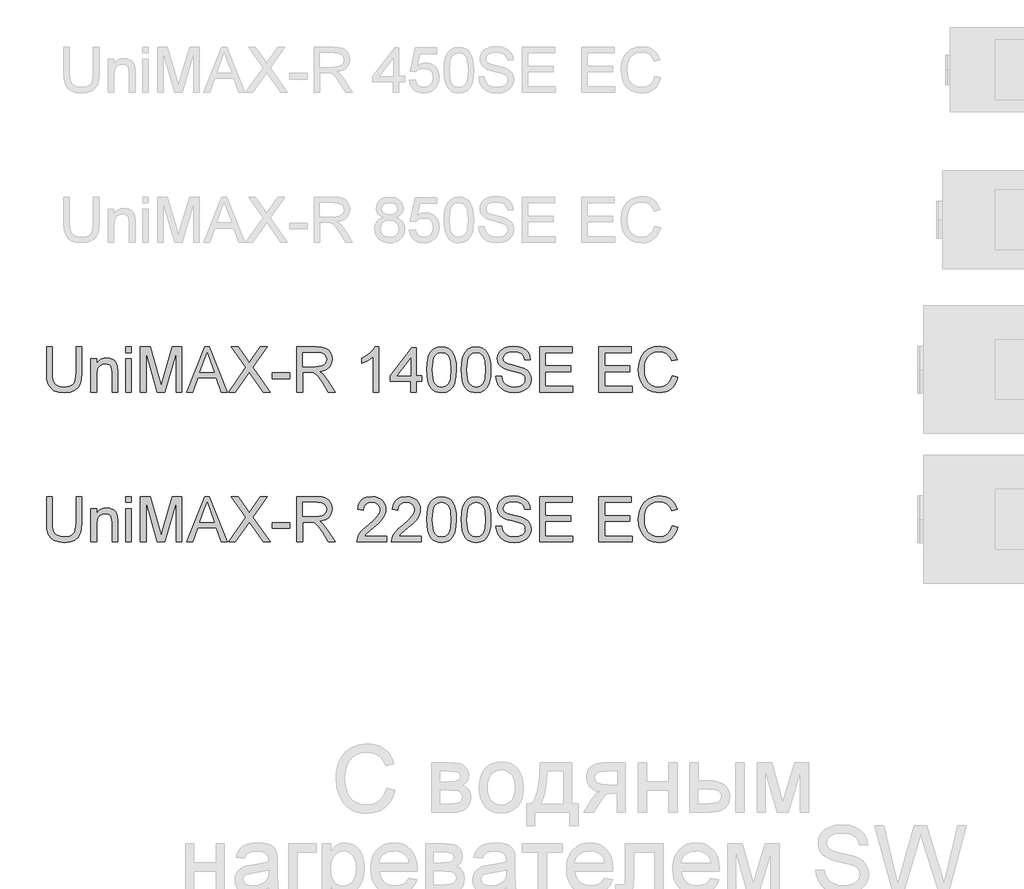
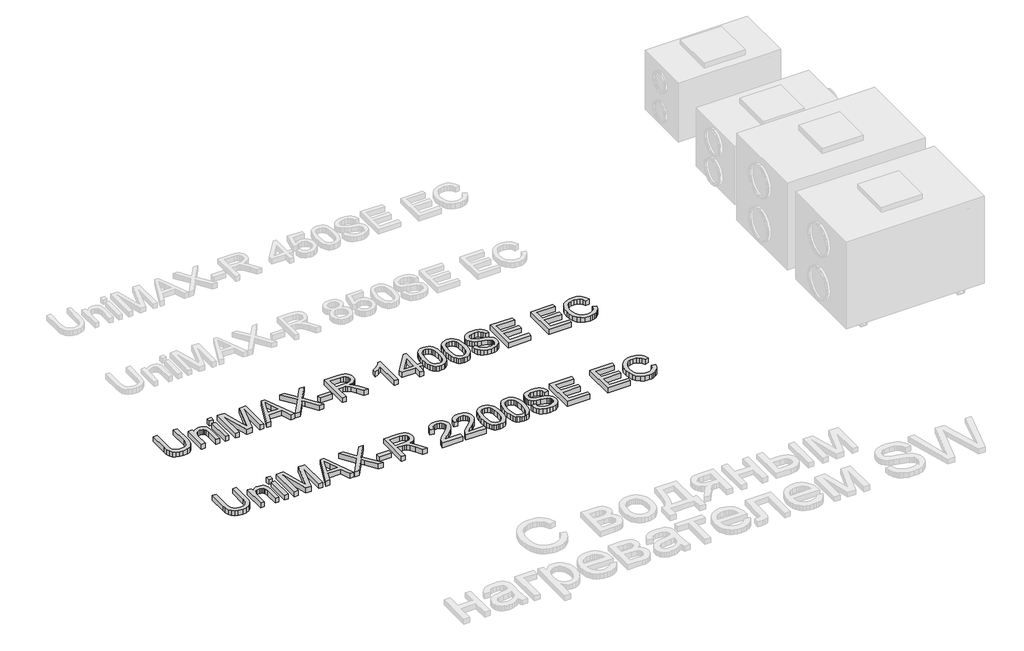
# One storey, part 50 of 74: 2 proxies.
"""IFC4 building model written with IfcOpenShell, lengths in millimetres."""

from ifc_helpers import new_model, si_unit, origin, origin_with_axes, place, context, project, spatial, polyline, outline, extrude, element, save

model = new_model("IFC4")

# Units and contexts
model_context = context("Model", 3, world=origin())
ifc_project = project(units=[si_unit("LENGTHUNIT", "METRE", prefix="MILLI")], contexts=[model_context])

# Site, building, storey
site = spatial("IfcSite", under=ifc_project)
building = spatial("IfcBuilding", under=site)
storey = spatial("IfcBuildingStorey", under=building, Elevation=0.0)

# Proxies
placement = place(None, origin())
element("IfcBuildingElementProxy", 1, Name="Generic Models", at=placement, inside=storey, context=model_context, shape_type="SweptSolid", body=[
    extrude(outline(polyline([(56245.6172917, -29731.9528304), (56283.288408, -29731.9528304), (56283.288408, -29905.8138613), (56280.7316281, -29946.5292011), (56273.0612885, -29977.8819441), (56258.7322848, -30002.0701853), (56236.1995126, -30021.2920196), (56205.4077896, -30033.8459926), (56166.3019335, -30038.0306503), (56128.0514031, -30034.3886186), (56097.4712122, -30023.4625233), (56074.5521639, -30005.6294436), (56059.2850611, -29981.2664585), (56050.7042136, -29948.5893403), (56047.8439311, -29905.8138613), (56047.8439311, -29731.9528304), (56085.5150474, -29731.9528304), (56085.5150474, -29904.4894861), (56087.3728515, -29938.3438267), (56092.9462637, -29961.9158655), (56103.0446244, -29978.2406291), (56118.4772741, -29990.3531438), (56138.6004193, -29997.8579365), (56162.7702664, -30000.359534), (56201.0851762, -29995.4115212), (56215.4279754, -29989.2265052), (56226.5610043, -29980.5674827), (56234.89813, -29968.3905887), (56240.8532198, -29951.6519579), (56245.6172917, -29904.4894861), (56245.6172917, -29731.9528304)])), origin_with_axes(), (0.0, 0.0, 1.0), 50.0),
    extrude(outline(polyline([(56344.503972, -30033.3217608), (56344.503972, -29812.0039525), (56382.1750883, -29812.0039525), (56382.1750883, -29842.9060401), (56395.2624903, -29827.3262376), (56410.9802485, -29816.1978072), (56429.328363, -29809.520749), (56450.3068338, -29807.295063), (56468.8756775, -29809.0884877), (56485.8810227, -29814.4687619), (56500.0628736, -29822.7645009), (56510.1612344, -29833.30432), (56521.4552117, -29861.0058343), (56523.4417744, -29897.4261518), (56523.4417744, -30033.3217608), (56485.7706581, -30033.3217608), (56485.7706581, -29902.5029233), (56481.4296506, -29869.1728146), (56475.423977, -29859.2491977), (56466.0889714, -29851.551267), (56454.1236095, -29846.6124512), (56440.2268671, -29844.9661793), (56418.1631445, -29848.6633933), (56399.3551775, -29859.7550355), (56391.8388884, -29868.8095311), (56386.4701106, -29881.1841617), (56382.1750883, -29915.8938279), (56382.1750883, -30033.3217608), (56344.503972, -30033.3217608)])), origin_with_axes(), (0.0, 0.0, 1.0), 50.0),
    extrude(outline(polyline([(56575.2395594, -30033.3217608), (56575.2395594, -29812.0039525), (56612.9106757, -29812.0039525), (56612.9106757, -30033.3217608), (56575.2395594, -30033.3217608)])), origin_with_axes(), (0.0, 0.0, 1.0), 50.0),
    extrude(outline(polyline([(56575.2395594, -29769.6239467), (56575.2395594, -29731.9528304), (56612.9106757, -29731.9528304), (56612.9106757, -29769.6239467), (56575.2395594, -29769.6239467)])), origin_with_axes(), (0.0, 0.0, 1.0), 50.0),
    extrude(outline(polyline([(56674.1262397, -30033.3217608), (56674.1262397, -29731.9528304), (56738.9470472, -29731.9528304), (56800.6040696, -29944.3678944), (56813.038481, -29988.734463), (56826.5029621, -29940.6890744), (56887.1299149, -29731.9528304), (56951.9507224, -29731.9528304), (56951.9507224, -30033.3217608), (56914.2796061, -30033.3217608), (56914.2796061, -29769.6239467), (56838.5694915, -30033.3217608), (56787.5074706, -30033.3217608), (56711.797356, -29769.6239467), (56711.797356, -30033.3217608), (56674.1262397, -30033.3217608)])), origin_with_axes(), (0.0, 0.0, 1.0), 50.0),
    extrude(outline(polyline([(56982.7792336, -30033.3217608), (57103.076646, -29731.9528304), (57135.155956, -29731.9528304), (57255.4533684, -30033.3217608), (57215.6485366, -30033.3217608), (57181.1412054, -29939.14397), (57057.0178202, -29939.14397), (57022.5840655, -30033.3217608), (56982.7792336, -30033.3217608)]), holes=[polyline([(57070.8501833, -29901.4728537), (57167.3824188, -29901.4728537), (57140.2327275, -29827.3814199), (57119.116301, -29769.6239467), (57100.3543193, -29820.9066968), (57070.8501833, -29901.4728537)])]), origin_with_axes(), (0.0, 0.0, 1.0), 50.0),
    extrude(outline(polyline([(57262.7374319, -30033.3217608), (57378.914566, -29869.0992382), (57281.5729901, -29731.9528304), (57326.7488991, -29731.9528304), (57381.5633164, -29809.1344729), (57400.0309925, -29839.2272201), (57421.6624539, -29808.6194381), (57475.8882599, -29731.9528304), (57521.7263565, -29731.9528304), (57424.3847806, -29869.5406965), (57540.5619147, -30033.3217608), (57495.3860057, -30033.3217608), (57417.9836339, -29924.1343846), (57401.8704025, -29901.4728537), (57384.1384904, -29926.3416766), (57308.5755285, -30033.3217608), (57262.7374319, -30033.3217608)])), origin_with_axes(), (0.0, 0.0, 1.0), 50.0),
    extrude(outline(polyline([(57554.6885833, -29943.8528596), (57554.6885833, -29906.1817433), (57672.4108218, -29906.1817433), (57672.4108218, -29943.8528596), (57554.6885833, -29943.8528596)])), origin_with_axes(), (0.0, 0.0, 1.0), 50.0),
    extrude(outline(polyline([(57719.4997172, -30033.3217608), (57719.4997172, -29731.9528304), (57849.3620615, -29731.9528304), (57884.2648657, -29733.9853784), (57909.6579205, -29740.0830224), (57928.2175671, -29751.3402115), (57942.6201472, -29768.8513945), (57951.8631824, -29790.5656292), (57954.9441941, -29814.4319737), (57949.8398314, -29844.1200507), (57934.5267433, -29868.7313562), (57922.9269642, -29878.7607391), (57908.5450774, -29886.775968), (57871.4349812, -29896.7639642), (57892.8457133, -29912.8771956), (57923.3799189, -29951.6519579), (57973.6325994, -30033.3217608), (57929.854642, -30033.3217608), (57890.6384213, -29970.855398), (57862.3115077, -29929.5054618), (57842.4090917, -29909.9709278), (57824.4932386, -29902.7972289), (57802.6410481, -29901.4728537), (57757.1708335, -29901.4728537), (57757.1708335, -30033.3217608), (57719.4997172, -30033.3217608)]), holes=[polyline([(57757.1708335, -29863.8017374), (57841.4893868, -29863.8017374), (57865.7052191, -29862.4681652), (57884.494792, -29858.4674485), (57898.6398547, -29851.5328729), (57908.9221565, -29841.3977239), (57915.1853474, -29829.1380564), (57917.2730778, -29815.8299253), (57913.2907552, -29797.4542196), (57901.3437874, -29782.6469693), (57880.7883809, -29772.8797023), (57850.9807422, -29769.6239467), (57757.1708335, -29769.6239467), (57757.1708335, -29863.8017374)])]), origin_with_axes(), (0.0, 0.0, 1.0), 50.0),
    extrude(outline(polyline([(58265.7309036, -30033.3217608), (58228.0597873, -30033.3217608), (58228.0597873, -29798.4658951), (58192.3752338, -29823.8865409), (58152.7175547, -29842.9060401), (58152.7175547, -29807.295063), (58182.3044641, -29791.2002257), (58207.9366422, -29772.0519678), (58228.1425607, -29751.6896994), (58241.4506919, -29731.9528304), (58265.7309036, -29731.9528304), (58265.7309036, -30033.3217608)])), origin_with_axes(), (0.0, 0.0, 1.0), 50.0),
    extrude(outline(polyline([(58477.6309328, -30033.3217608), (58477.6309328, -29962.6884177), (58341.0731362, -29962.6884177), (58341.0731362, -29925.0173014), (58487.0487119, -29736.6617199), (58515.3020491, -29736.6617199), (58515.3020491, -29925.0173014), (58552.9731654, -29925.0173014), (58552.9731654, -29962.6884177), (58515.3020491, -29962.6884177), (58515.3020491, -30033.3217608), (58477.6309328, -30033.3217608)]), holes=[polyline([(58477.6309328, -29925.0173014), (58477.6309328, -29808.6194381), (58387.4262676, -29925.0173014), (58477.6309328, -29925.0173014)])]), origin_with_axes(), (0.0, 0.0, 1.0), 50.0),
    extrude(outline(polyline([(58585.9353922, -29885.0653167), (58588.7037042, -29836.8267901), (58597.0086403, -29798.3555305), (58610.7674269, -29769.0629266), (58629.8972906, -29748.3603673), (58654.5361872, -29736.0547146), (58684.8220725, -29731.9528304), (58708.0354264, -29734.3808515), (58728.8207591, -29741.664915), (58746.2031834, -29753.5199123), (58759.2078119, -29769.6607349), (58769.0302612, -29789.9494269), (58776.8661477, -29814.2480327), (58781.9981015, -29845.104135), (58783.7087528, -29885.0653167), (58780.9680319, -29933.0279319), (58772.7458693, -29971.407221), (58759.0698562, -30000.727416), (58739.9675836, -30021.5127488), (58715.2735046, -30033.9011749), (58684.8220725, -30038.0306503), (58664.073528, -30036.2372256), (58645.6794282, -30030.8569514), (58629.6397732, -30021.8898278), (58615.954563, -30009.3358547), (58602.8211758, -29986.6421341), (58593.4401849, -29958.3658043), (58587.8115904, -29924.5068652), (58585.9353922, -29885.0653167)]), holes=[polyline([(58623.6065085, -29884.9917403), (58628.0210924, -29944.2483327), (58633.5393224, -29964.5163314), (58641.2648443, -29978.5441317), (58660.9833192, -29994.9056835), (58684.8220725, -30000.359534), (58708.6608258, -29994.8872894), (58728.3793007, -29978.4705553), (58736.1048226, -29964.4197624), (58741.6230526, -29944.1563622), (58746.0376365, -29884.9917403), (58741.7702054, -29827.0687202), (58736.4359164, -29806.8674001), (58728.9679119, -29792.5062068), (58709.2862252, -29775.3445117), (58684.3806141, -29769.6239467), (58660.7993782, -29774.66393), (58641.8534555, -29789.78388), (58633.8704162, -29805.4188648), (58628.1682452, -29826.4985031), (58623.6065085, -29884.9917403)])]), origin_with_axes(), (0.0, 0.0, 1.0), 50.0),
    extrude(outline(polyline([(58816.6709796, -29885.0653167), (58819.4392916, -29836.8267901), (58827.7442276, -29798.3555305), (58841.5030142, -29769.0629266), (58860.632878, -29748.3603673), (58885.2717746, -29736.0547146), (58915.5576599, -29731.9528304), (58938.7710138, -29734.3808515), (58959.5563465, -29741.664915), (58976.9387708, -29753.5199123), (58989.9433993, -29769.6607349), (58999.7658486, -29789.9494269), (59007.6017351, -29814.2480327), (59012.7336889, -29845.104135), (59014.4443402, -29885.0653167), (59011.7036193, -29933.0279319), (59003.4814567, -29971.407221), (58989.8054436, -30000.727416), (58970.703171, -30021.5127488), (58946.009092, -30033.9011749), (58915.5576599, -30038.0306503), (58894.8091153, -30036.2372256), (58876.4150156, -30030.8569514), (58860.3753606, -30021.8898278), (58846.6901504, -30009.3358547), (58833.5567631, -29986.6421341), (58824.1757723, -29958.3658043), (58818.5471777, -29924.5068652), (58816.6709796, -29885.0653167)]), holes=[polyline([(58854.3420959, -29884.9917403), (58858.7566798, -29944.2483327), (58864.2749097, -29964.5163314), (58872.0004316, -29978.5441317), (58891.7189066, -29994.9056835), (58915.5576599, -30000.359534), (58939.3964132, -29994.8872894), (58959.1148881, -29978.4705553), (58966.84041, -29964.4197624), (58972.3586399, -29944.1563622), (58976.7732239, -29884.9917403), (58972.5057927, -29827.0687202), (58967.1715038, -29806.8674001), (58959.7034993, -29792.5062068), (58940.0218126, -29775.3445117), (58915.1162015, -29769.6239467), (58891.5349656, -29774.66393), (58872.5890428, -29789.78388), (58864.6060035, -29805.4188648), (58858.9038326, -29826.4985031), (58854.3420959, -29884.9917403)])]), origin_with_axes(), (0.0, 0.0, 1.0), 50.0),
    extrude(outline(polyline([(59047.4065669, -29929.726191), (59085.0776833, -29929.726191), (59089.4002967, -29950.6310853), (59097.2177891, -29967.4340955), (59109.4130772, -29980.7698178), (59126.8690779, -29991.2728488), (59148.2062336, -29998.0878627), (59172.0449869, -30000.359534), (59193.0326547, -29998.6396857), (59211.4083604, -29993.4801407), (59226.2983841, -29985.3131604), (59236.8290063, -29974.5710062), (59243.0921972, -29962.2377623), (59245.1799276, -29949.2975131), (59243.6164291, -29936.6883577), (59238.9259336, -29925.7898536), (59229.39779, -29916.4916362), (59213.3213468, -29908.6833408), (59158.4701413, -29894.2991548), (59122.463691, -29884.7802082), (59099.4250811, -29875.7211141), (59080.6722964, -29863.0475793), (59067.3825593, -29847.688506), (59059.4638993, -29829.974988), (59056.824346, -29810.2381189), (59060.0892987, -29788.1743963), (59069.8841569, -29767.6005957), (59085.951403, -29750.1629891), (59108.0335198, -29737.5078485), (59134.5394175, -29729.8099177), (59163.8780066, -29727.2439408), (59195.663011, -29729.9294794), (59223.4748898, -29737.9860951), (59246.3203617, -29751.248241), (59263.2061453, -29769.5503703), (59273.8931173, -29791.7520487), (59278.1421543, -29816.712842), (59240.471038, -29816.712842), (59233.5548565, -29794.2352521), (59219.1338823, -29778.0116561), (59196.6011101, -29768.1892069), (59165.3495346, -29764.9150571), (59133.3621951, -29768.1524187), (59111.4180341, -29777.8645034), (59098.7261053, -29792.1567189), (59094.4954623, -29809.1344729), (59097.4937006, -29823.6106295), (59106.4884154, -29835.2540946), (59127.7519947, -29845.6651551), (59167.998285, -29856.2969447), (59209.5321622, -29866.3953055), (59234.6585025, -29875.2060793), (59256.133614, -29888.8728954), (59271.1156082, -29905.7402849), (59279.9171849, -29925.6243067), (59282.8510439, -29948.3410199), (59279.4757266, -29971.5635709), (59269.3497746, -29993.4065643), (59252.8870554, -30012.2053343), (59230.5014359, -30026.2952147), (59203.5816709, -30035.0967914), (59173.5165149, -30038.0306503), (59136.6087537, -30034.8668652), (59106.230898, -30025.3755097), (59082.0334597, -30009.5197957), (59063.6669511, -29987.262935), (59051.8763332, -29960.150032), (59047.4065669, -29929.726191)])), origin_with_axes(), (0.0, 0.0, 1.0), 50.0),
    extrude(outline(polyline([(59339.3577183, -30033.3217608), (59339.3577183, -29731.9528304), (59555.9666371, -29731.9528304), (59555.9666371, -29769.6239467), (59377.0288346, -29769.6239467), (59377.0288346, -29859.0928479), (59546.548858, -29859.0928479), (59546.548858, -29896.7639642), (59377.0288346, -29896.7639642), (59377.0288346, -29995.6506445), (59560.6755266, -29995.6506445), (59560.6755266, -30033.3217608), (59339.3577183, -30033.3217608)])), origin_with_axes(), (0.0, 0.0, 1.0), 50.0),
    extrude(outline(polyline([(59734.9044395, -30033.3217608), (59734.9044395, -29731.9528304), (59951.5133583, -29731.9528304), (59951.5133583, -29769.6239467), (59772.5755558, -29769.6239467), (59772.5755558, -29859.0928479), (59942.0955792, -29859.0928479), (59942.0955792, -29896.7639642), (59772.5755558, -29896.7639642), (59772.5755558, -29995.6506445), (59956.2222478, -29995.6506445), (59956.2222478, -30033.3217608), (59734.9044395, -30033.3217608)])), origin_with_axes(), (0.0, 0.0, 1.0), 50.0),
    extrude(outline(polyline([(60224.6289515, -29926.1945238), (60262.3000678, -29935.9066085), (60254.8458589, -29959.3337938), (60244.9176435, -29979.8041276), (60232.5154218, -29997.3176098), (60217.6391936, -30011.8742405), (60200.6246513, -30023.3176698), (60181.8074873, -30031.4915479), (60161.1877014, -30036.3958747), (60138.7652938, -30038.0306503), (60095.0701099, -30033.0826375), (60060.3696407, -30018.238599), (60033.7717724, -29994.0135696), (60014.3843913, -29960.9225842), (60002.5477881, -29922.0190632), (59998.6022537, -29880.3564272), (60003.0628229, -29836.4129229), (60016.4445304, -29798.4658951), (60038.0484006, -29767.7201573), (60067.1754576, -29745.3805232), (60101.7195769, -29731.7780864), (60139.5746342, -29727.2439408), (60180.8785852, -29733.1116586), (60198.8473214, -29740.4463059), (60215.0272314, -29750.7148121), (60229.1516008, -29763.6458642), (60240.953715, -29778.9681493), (60257.5911783, -29816.7864184), (60219.920062, -29825.7627391), (60206.8602511, -29798.2911511), (60189.0179744, -29779.4463959), (60166.1725025, -29768.5478918), (60138.1031062, -29764.9150571), (60105.7478848, -29768.943365), (60079.1684106, -29781.0282885), (60058.9992802, -29799.9006349), (60045.8750901, -29824.2912111), (60038.6738, -29851.8639667), (60036.27337, -29880.2828508), (60039.1152584, -29915.0844876), (60047.6409236, -29945.1772348), (60062.1722624, -29969.4114612), (60083.0311716, -29986.6375356), (60108.0379502, -29996.9290344), (60135.0128975, -30000.359534), (60166.457611, -29995.6874327), (60192.6600061, -29981.6711287), (60212.4428604, -29958.4577748), (60224.6289515, -29926.1945238)])), origin_with_axes(), (0.0, 0.0, 1.0), 50.0),
])
element("IfcBuildingElementProxy", 2, Name="Generic Models", at=placement, inside=storey, context=model_context, shape_type="SweptSolid", body=[
    extrude(outline(polyline([(56245.6172917, -30731.9528304), (56283.288408, -30731.9528304), (56283.288408, -30905.8138613), (56280.7316281, -30946.5292011), (56273.0612885, -30977.8819441), (56258.7322848, -31002.0701853), (56236.1995126, -31021.2920196), (56205.4077896, -31033.8459926), (56166.3019335, -31038.0306503), (56128.0514031, -31034.3886186), (56097.4712122, -31023.4625233), (56074.5521639, -31005.6294436), (56059.2850611, -30981.2664585), (56050.7042136, -30948.5893403), (56047.8439311, -30905.8138613), (56047.8439311, -30731.9528304), (56085.5150474, -30731.9528304), (56085.5150474, -30904.4894861), (56087.3728515, -30938.3438267), (56092.9462637, -30961.9158655), (56103.0446244, -30978.2406291), (56118.4772741, -30990.3531438), (56138.6004193, -30997.8579365), (56162.7702664, -31000.359534), (56201.0851762, -30995.4115212), (56215.4279754, -30989.2265052), (56226.5610043, -30980.5674827), (56234.89813, -30968.3905887), (56240.8532198, -30951.6519579), (56245.6172917, -30904.4894861), (56245.6172917, -30731.9528304)])), origin_with_axes(), (0.0, 0.0, 1.0), 50.0),
    extrude(outline(polyline([(56344.503972, -31033.3217608), (56344.503972, -30812.0039525), (56382.1750883, -30812.0039525), (56382.1750883, -30842.9060401), (56395.2624903, -30827.3262376), (56410.9802485, -30816.1978072), (56429.328363, -30809.520749), (56450.3068338, -30807.295063), (56468.8756775, -30809.0884877), (56485.8810227, -30814.4687619), (56500.0628736, -30822.7645009), (56510.1612344, -30833.30432), (56521.4552117, -30861.0058343), (56523.4417744, -30897.4261518), (56523.4417744, -31033.3217608), (56485.7706581, -31033.3217608), (56485.7706581, -30902.5029233), (56481.4296506, -30869.1728146), (56475.423977, -30859.2491977), (56466.0889714, -30851.551267), (56454.1236095, -30846.6124512), (56440.2268671, -30844.9661793), (56418.1631445, -30848.6633933), (56399.3551775, -30859.7550355), (56391.8388884, -30868.8095311), (56386.4701106, -30881.1841617), (56382.1750883, -30915.8938279), (56382.1750883, -31033.3217608), (56344.503972, -31033.3217608)])), origin_with_axes(), (0.0, 0.0, 1.0), 50.0),
    extrude(outline(polyline([(56575.2395594, -31033.3217608), (56575.2395594, -30812.0039525), (56612.9106757, -30812.0039525), (56612.9106757, -31033.3217608), (56575.2395594, -31033.3217608)])), origin_with_axes(), (0.0, 0.0, 1.0), 50.0),
    extrude(outline(polyline([(56575.2395594, -30769.6239467), (56575.2395594, -30731.9528304), (56612.9106757, -30731.9528304), (56612.9106757, -30769.6239467), (56575.2395594, -30769.6239467)])), origin_with_axes(), (0.0, 0.0, 1.0), 50.0),
    extrude(outline(polyline([(56674.1262397, -31033.3217608), (56674.1262397, -30731.9528304), (56738.9470472, -30731.9528304), (56800.6040696, -30944.3678944), (56813.038481, -30988.734463), (56826.5029621, -30940.6890744), (56887.1299149, -30731.9528304), (56951.9507224, -30731.9528304), (56951.9507224, -31033.3217608), (56914.2796061, -31033.3217608), (56914.2796061, -30769.6239467), (56838.5694915, -31033.3217608), (56787.5074706, -31033.3217608), (56711.797356, -30769.6239467), (56711.797356, -31033.3217608), (56674.1262397, -31033.3217608)])), origin_with_axes(), (0.0, 0.0, 1.0), 50.0),
    extrude(outline(polyline([(56982.7792336, -31033.3217608), (57103.076646, -30731.9528304), (57135.155956, -30731.9528304), (57255.4533684, -31033.3217608), (57215.6485366, -31033.3217608), (57181.1412054, -30939.14397), (57057.0178202, -30939.14397), (57022.5840655, -31033.3217608), (56982.7792336, -31033.3217608)]), holes=[polyline([(57070.8501833, -30901.4728537), (57167.3824188, -30901.4728537), (57140.2327275, -30827.3814199), (57119.116301, -30769.6239467), (57100.3543193, -30820.9066968), (57070.8501833, -30901.4728537)])]), origin_with_axes(), (0.0, 0.0, 1.0), 50.0),
    extrude(outline(polyline([(57262.7374319, -31033.3217608), (57378.914566, -30869.0992382), (57281.5729901, -30731.9528304), (57326.7488991, -30731.9528304), (57381.5633164, -30809.1344729), (57400.0309925, -30839.2272201), (57421.6624539, -30808.6194381), (57475.8882599, -30731.9528304), (57521.7263565, -30731.9528304), (57424.3847806, -30869.5406965), (57540.5619147, -31033.3217608), (57495.3860057, -31033.3217608), (57417.9836339, -30924.1343846), (57401.8704025, -30901.4728537), (57384.1384904, -30926.3416766), (57308.5755285, -31033.3217608), (57262.7374319, -31033.3217608)])), origin_with_axes(), (0.0, 0.0, 1.0), 50.0),
    extrude(outline(polyline([(57554.6885833, -30943.8528596), (57554.6885833, -30906.1817433), (57672.4108218, -30906.1817433), (57672.4108218, -30943.8528596), (57554.6885833, -30943.8528596)])), origin_with_axes(), (0.0, 0.0, 1.0), 50.0),
    extrude(outline(polyline([(57719.4997172, -31033.3217608), (57719.4997172, -30731.9528304), (57849.3620615, -30731.9528304), (57884.2648657, -30733.9853784), (57909.6579205, -30740.0830224), (57928.2175671, -30751.3402115), (57942.6201472, -30768.8513945), (57951.8631824, -30790.5656292), (57954.9441941, -30814.4319737), (57949.8398314, -30844.1200507), (57934.5267433, -30868.7313562), (57922.9269642, -30878.7607391), (57908.5450774, -30886.775968), (57871.4349812, -30896.7639642), (57892.8457133, -30912.8771956), (57923.3799189, -30951.6519579), (57973.6325994, -31033.3217608), (57929.854642, -31033.3217608), (57890.6384213, -30970.855398), (57862.3115077, -30929.5054618), (57842.4090917, -30909.9709278), (57824.4932386, -30902.7972289), (57802.6410481, -30901.4728537), (57757.1708335, -30901.4728537), (57757.1708335, -31033.3217608), (57719.4997172, -31033.3217608)]), holes=[polyline([(57757.1708335, -30863.8017374), (57841.4893868, -30863.8017374), (57865.7052191, -30862.4681652), (57884.494792, -30858.4674485), (57898.6398547, -30851.5328729), (57908.9221565, -30841.3977239), (57915.1853474, -30829.1380564), (57917.2730778, -30815.8299253), (57913.2907552, -30797.4542196), (57901.3437874, -30782.6469693), (57880.7883809, -30772.8797023), (57850.9807422, -30769.6239467), (57757.1708335, -30769.6239467), (57757.1708335, -30863.8017374)])]), origin_with_axes(), (0.0, 0.0, 1.0), 50.0),
    extrude(outline(polyline([(58317.5286885, -30995.6506445), (58317.5286885, -31033.3217608), (58119.7553279, -31033.3217608), (58123.8020299, -31007.3492919), (58133.0910502, -30987.0514029), (58146.68429, -30967.3605191), (58166.3475826, -30946.7499303), (58193.8467617, -30923.6929262), (58234.4977222, -30887.5853084), (58258.8882985, -30860.9322579), (58271.0835866, -30839.3007965), (58275.1486827, -30818.2579464), (58271.3135129, -30799.3947971), (58259.8080035, -30783.7138271), (58242.1220766, -30773.1464168), (58219.7456542, -30769.6239467), (58196.2471918, -30773.0636433), (58177.9910477, -30783.3827333), (58166.2096268, -30799.7718762), (58162.1353338, -30821.4217316), (58124.4642174, -30816.712842), (58133.596888, -30780.2741304), (58142.1432466, -30765.7381931), (58153.3429541, -30753.6578681), (58166.9384931, -30744.1619141), (58182.6723461, -30737.3790898), (58220.5549946, -30731.9528304), (58240.7448183, -30733.4611465), (58258.7135545, -30737.9860951), (58274.4612032, -30745.527676), (58287.9877643, -30756.0858892), (58298.8517795, -30768.8789856), (58306.6117903, -30783.1252159), (58311.2677968, -30798.82458), (58312.819799, -30815.9770781), (58311.1459359, -30833.9940988), (58306.1243467, -30851.6984198), (58297.2124053, -30869.7062434), (58283.867486, -30888.6337721), (58262.5947096, -30911.2309237), (58229.8991973, -30940.247616), (58186.5626982, -30976.4839925), (58169.5665501, -30995.6506445), (58317.5286885, -30995.6506445)])), origin_with_axes(), (0.0, 0.0, 1.0), 50.0),
    extrude(outline(polyline([(58548.2642759, -30995.6506445), (58548.2642759, -31033.3217608), (58350.4909153, -31033.3217608), (58354.5376172, -31007.3492919), (58363.8266376, -30987.0514029), (58377.4198773, -30967.3605191), (58397.08317, -30946.7499303), (58424.5823491, -30923.6929262), (58465.2333096, -30887.5853084), (58489.6238859, -30860.9322579), (58501.819174, -30839.3007965), (58505.88427, -30818.2579464), (58502.0491002, -30799.3947971), (58490.5435908, -30783.7138271), (58472.8576639, -30773.1464168), (58450.4812416, -30769.6239467), (58426.9827791, -30773.0636433), (58408.7266351, -30783.3827333), (58396.9452142, -30799.7718762), (58392.8709211, -30821.4217316), (58355.1998048, -30816.712842), (58364.3324754, -30780.2741304), (58372.878834, -30765.7381931), (58384.0785414, -30753.6578681), (58397.6740804, -30744.1619141), (58413.4079335, -30737.3790898), (58451.290582, -30731.9528304), (58471.4804057, -30733.4611465), (58489.4491419, -30737.9860951), (58505.1967906, -30745.527676), (58518.7233517, -30756.0858892), (58529.5873668, -30768.8789856), (58537.3473777, -30783.1252159), (58542.0033842, -30798.82458), (58543.5553864, -30815.9770781), (58541.8815233, -30833.9940988), (58536.859934, -30851.6984198), (58527.9479927, -30869.7062434), (58514.6030733, -30888.6337721), (58493.330297, -30911.2309237), (58460.6347846, -30940.247616), (58417.2982856, -30976.4839925), (58400.3021374, -30995.6506445), (58548.2642759, -30995.6506445)])), origin_with_axes(), (0.0, 0.0, 1.0), 50.0),
    extrude(outline(polyline([(58585.9353922, -30885.0653167), (58588.7037042, -30836.8267901), (58597.0086403, -30798.3555305), (58610.7674269, -30769.0629266), (58629.8972906, -30748.3603673), (58654.5361872, -30736.0547146), (58684.8220725, -30731.9528304), (58708.0354264, -30734.3808515), (58728.8207591, -30741.664915), (58746.2031834, -30753.5199123), (58759.2078119, -30769.6607349), (58769.0302612, -30789.9494269), (58776.8661477, -30814.2480327), (58781.9981015, -30845.104135), (58783.7087528, -30885.0653167), (58780.9680319, -30933.0279319), (58772.7458693, -30971.407221), (58759.0698562, -31000.727416), (58739.9675836, -31021.5127488), (58715.2735046, -31033.9011749), (58684.8220725, -31038.0306503), (58664.073528, -31036.2372256), (58645.6794282, -31030.8569514), (58629.6397732, -31021.8898278), (58615.954563, -31009.3358547), (58602.8211758, -30986.6421341), (58593.4401849, -30958.3658043), (58587.8115904, -30924.5068652), (58585.9353922, -30885.0653167)]), holes=[polyline([(58623.6065085, -30884.9917403), (58628.0210924, -30944.2483327), (58633.5393224, -30964.5163314), (58641.2648443, -30978.5441317), (58660.9833192, -30994.9056835), (58684.8220725, -31000.359534), (58708.6608258, -30994.8872894), (58728.3793007, -30978.4705553), (58736.1048226, -30964.4197624), (58741.6230526, -30944.1563622), (58746.0376365, -30884.9917403), (58741.7702054, -30827.0687202), (58736.4359164, -30806.8674001), (58728.9679119, -30792.5062068), (58709.2862252, -30775.3445117), (58684.3806141, -30769.6239467), (58660.7993782, -30774.66393), (58641.8534555, -30789.78388), (58633.8704162, -30805.4188648), (58628.1682452, -30826.4985031), (58623.6065085, -30884.9917403)])]), origin_with_axes(), (0.0, 0.0, 1.0), 50.0),
    extrude(outline(polyline([(58816.6709796, -30885.0653167), (58819.4392916, -30836.8267901), (58827.7442276, -30798.3555305), (58841.5030142, -30769.0629266), (58860.632878, -30748.3603673), (58885.2717746, -30736.0547146), (58915.5576599, -30731.9528304), (58938.7710138, -30734.3808515), (58959.5563465, -30741.664915), (58976.9387708, -30753.5199123), (58989.9433993, -30769.6607349), (58999.7658486, -30789.9494269), (59007.6017351, -30814.2480327), (59012.7336889, -30845.104135), (59014.4443402, -30885.0653167), (59011.7036193, -30933.0279319), (59003.4814567, -30971.407221), (58989.8054436, -31000.727416), (58970.703171, -31021.5127488), (58946.009092, -31033.9011749), (58915.5576599, -31038.0306503), (58894.8091153, -31036.2372256), (58876.4150156, -31030.8569514), (58860.3753606, -31021.8898278), (58846.6901504, -31009.3358547), (58833.5567631, -30986.6421341), (58824.1757723, -30958.3658043), (58818.5471777, -30924.5068652), (58816.6709796, -30885.0653167)]), holes=[polyline([(58854.3420959, -30884.9917403), (58858.7566798, -30944.2483327), (58864.2749097, -30964.5163314), (58872.0004316, -30978.5441317), (58891.7189066, -30994.9056835), (58915.5576599, -31000.359534), (58939.3964132, -30994.8872894), (58959.1148881, -30978.4705553), (58966.84041, -30964.4197624), (58972.3586399, -30944.1563622), (58976.7732239, -30884.9917403), (58972.5057927, -30827.0687202), (58967.1715038, -30806.8674001), (58959.7034993, -30792.5062068), (58940.0218126, -30775.3445117), (58915.1162015, -30769.6239467), (58891.5349656, -30774.66393), (58872.5890428, -30789.78388), (58864.6060035, -30805.4188648), (58858.9038326, -30826.4985031), (58854.3420959, -30884.9917403)])]), origin_with_axes(), (0.0, 0.0, 1.0), 50.0),
    extrude(outline(polyline([(59047.4065669, -30929.726191), (59085.0776833, -30929.726191), (59089.4002967, -30950.6310853), (59097.2177891, -30967.4340955), (59109.4130772, -30980.7698178), (59126.8690779, -30991.2728488), (59148.2062336, -30998.0878627), (59172.0449869, -31000.359534), (59193.0326547, -30998.6396857), (59211.4083604, -30993.4801407), (59226.2983841, -30985.3131604), (59236.8290063, -30974.5710062), (59243.0921972, -30962.2377623), (59245.1799276, -30949.2975131), (59243.6164291, -30936.6883577), (59238.9259336, -30925.7898536), (59229.39779, -30916.4916362), (59213.3213468, -30908.6833408), (59158.4701413, -30894.2991548), (59122.463691, -30884.7802082), (59099.4250811, -30875.7211141), (59080.6722964, -30863.0475793), (59067.3825593, -30847.688506), (59059.4638993, -30829.974988), (59056.824346, -30810.2381189), (59060.0892987, -30788.1743963), (59069.8841569, -30767.6005957), (59085.951403, -30750.1629891), (59108.0335198, -30737.5078485), (59134.5394175, -30729.8099177), (59163.8780066, -30727.2439408), (59195.663011, -30729.9294794), (59223.4748898, -30737.9860951), (59246.3203617, -30751.248241), (59263.2061453, -30769.5503703), (59273.8931173, -30791.7520487), (59278.1421543, -30816.712842), (59240.471038, -30816.712842), (59233.5548565, -30794.2352521), (59219.1338823, -30778.0116561), (59196.6011101, -30768.1892069), (59165.3495346, -30764.9150571), (59133.3621951, -30768.1524187), (59111.4180341, -30777.8645034), (59098.7261053, -30792.1567189), (59094.4954623, -30809.1344729), (59097.4937006, -30823.6106295), (59106.4884154, -30835.2540946), (59127.7519947, -30845.6651551), (59167.998285, -30856.2969447), (59209.5321622, -30866.3953055), (59234.6585025, -30875.2060793), (59256.133614, -30888.8728954), (59271.1156082, -30905.7402849), (59279.9171849, -30925.6243067), (59282.8510439, -30948.3410199), (59279.4757266, -30971.5635709), (59269.3497746, -30993.4065643), (59252.8870554, -31012.2053343), (59230.5014359, -31026.2952147), (59203.5816709, -31035.0967914), (59173.5165149, -31038.0306503), (59136.6087537, -31034.8668652), (59106.230898, -31025.3755097), (59082.0334597, -31009.5197957), (59063.6669511, -30987.262935), (59051.8763332, -30960.150032), (59047.4065669, -30929.726191)])), origin_with_axes(), (0.0, 0.0, 1.0), 50.0),
    extrude(outline(polyline([(59339.3577183, -31033.3217608), (59339.3577183, -30731.9528304), (59555.9666371, -30731.9528304), (59555.9666371, -30769.6239467), (59377.0288346, -30769.6239467), (59377.0288346, -30859.0928479), (59546.548858, -30859.0928479), (59546.548858, -30896.7639642), (59377.0288346, -30896.7639642), (59377.0288346, -30995.6506445), (59560.6755266, -30995.6506445), (59560.6755266, -31033.3217608), (59339.3577183, -31033.3217608)])), origin_with_axes(), (0.0, 0.0, 1.0), 50.0),
    extrude(outline(polyline([(59734.9044395, -31033.3217608), (59734.9044395, -30731.9528304), (59951.5133583, -30731.9528304), (59951.5133583, -30769.6239467), (59772.5755558, -30769.6239467), (59772.5755558, -30859.0928479), (59942.0955792, -30859.0928479), (59942.0955792, -30896.7639642), (59772.5755558, -30896.7639642), (59772.5755558, -30995.6506445), (59956.2222478, -30995.6506445), (59956.2222478, -31033.3217608), (59734.9044395, -31033.3217608)])), origin_with_axes(), (0.0, 0.0, 1.0), 50.0),
    extrude(outline(polyline([(60224.6289515, -30926.1945238), (60262.3000678, -30935.9066085), (60254.8458589, -30959.3337938), (60244.9176435, -30979.8041276), (60232.5154218, -30997.3176098), (60217.6391936, -31011.8742405), (60200.6246513, -31023.3176698), (60181.8074873, -31031.4915479), (60161.1877014, -31036.3958747), (60138.7652938, -31038.0306503), (60095.0701099, -31033.0826375), (60060.3696407, -31018.238599), (60033.7717724, -30994.0135696), (60014.3843913, -30960.9225842), (60002.5477881, -30922.0190632), (59998.6022537, -30880.3564272), (60003.0628229, -30836.4129229), (60016.4445304, -30798.4658951), (60038.0484006, -30767.7201573), (60067.1754576, -30745.3805232), (60101.7195769, -30731.7780864), (60139.5746342, -30727.2439408), (60180.8785852, -30733.1116586), (60198.8473214, -30740.4463059), (60215.0272314, -30750.7148121), (60229.1516008, -30763.6458642), (60240.953715, -30778.9681493), (60257.5911783, -30816.7864184), (60219.920062, -30825.7627391), (60206.8602511, -30798.2911511), (60189.0179744, -30779.4463959), (60166.1725025, -30768.5478918), (60138.1031062, -30764.9150571), (60105.7478848, -30768.943365), (60079.1684106, -30781.0282885), (60058.9992802, -30799.9006349), (60045.8750901, -30824.2912111), (60038.6738, -30851.8639667), (60036.27337, -30880.2828508), (60039.1152584, -30915.0844876), (60047.6409236, -30945.1772348), (60062.1722624, -30969.4114612), (60083.0311716, -30986.6375356), (60108.0379502, -30996.9290344), (60135.0128975, -31000.359534), (60166.457611, -30995.6874327), (60192.6600061, -30981.6711287), (60212.4428604, -30958.4577748), (60224.6289515, -30926.1945238)])), origin_with_axes(), (0.0, 0.0, 1.0), 50.0),
])

save(model, "model.ifc")
